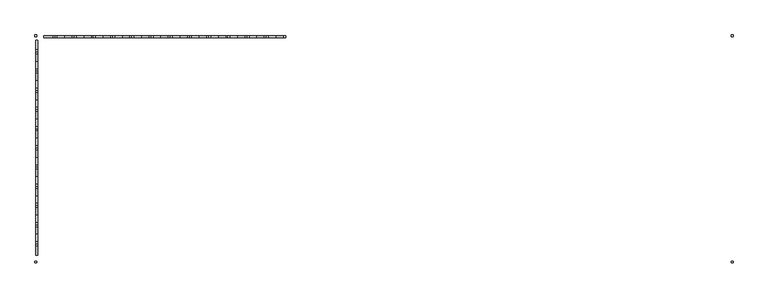
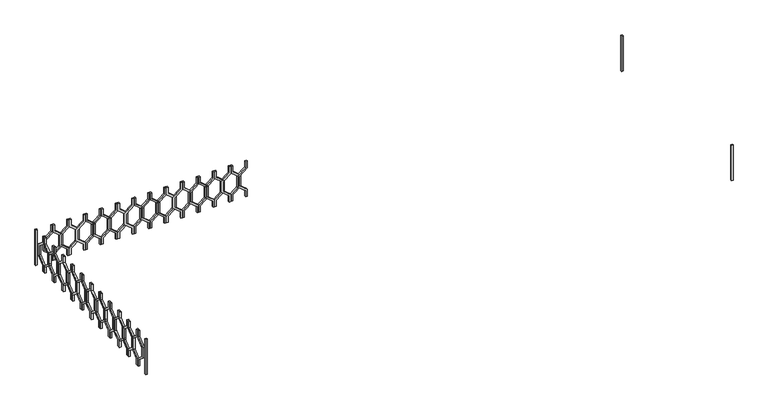
"""IFC4 building model written with IfcOpenShell, lengths in millimetres: railing geometry."""

from ifc_helpers import new_model, si_unit, frame, origin, place, context, project, spatial, polyline, outline, extrude, source, transform, mapped, element, save


def railing_2e306c23(model_context):
    return source(origin(), model_context, "Body", "SweptSolid", [
        extrude(outline(polyline([(8860.0, 44935.0112841), (8860.0, 44915.0112841), (8780.0, 44915.0112841), (8700.0, 44816.0163347), (8560.0, 44816.0163347), (8480.0, 44915.0112841), (8400.0, 44915.0112841), (8400.0, 44935.0112841), (8489.551845, 44935.0112841), (8569.551845, 44836.0163347), (8690.448155, 44836.0163347), (8770.448155, 44935.0112841), (8860.0, 44935.0112841)])), frame((0.0, 3248.1079487, 0.0), z_axis=(0.0, 1.0, 0.0), x_axis=(0.0, 0.0, 1.0)), (0.0, 0.0, 1.0), 20.0),
        extrude(outline(polyline([(8860.0, 44735.0112841), (8770.448155, 44735.0112841), (8690.448155, 44834.0062335), (8569.551845, 44834.0062335), (8489.551845, 44735.0112841), (8400.0, 44735.0112841), (8400.0, 44755.0112841), (8480.0, 44755.0112841), (8560.0, 44854.0062335), (8700.0, 44854.0062335), (8780.0, 44755.0112841), (8860.0, 44755.0112841), (8860.0, 44735.0112841)])), frame((0.0, 3248.1079487, 0.0), z_axis=(0.0, 1.0, 0.0), x_axis=(0.0, 0.0, 1.0)), (0.0, 0.0, 1.0), 20.0),
        extrude(outline(polyline([(8860.0, 44735.0112841), (8860.0, 44715.0112841), (8780.0, 44715.0112841), (8700.0, 44616.0163347), (8560.0, 44616.0163347), (8480.0, 44715.0112841), (8400.0, 44715.0112841), (8400.0, 44735.0112841), (8489.551845, 44735.0112841), (8569.551845, 44636.0163347), (8690.448155, 44636.0163347), (8770.448155, 44735.0112841), (8860.0, 44735.0112841)])), frame((0.0, 3248.1079487, 0.0), z_axis=(0.0, 1.0, 0.0), x_axis=(0.0, 0.0, 1.0)), (0.0, 0.0, 1.0), 20.0),
        extrude(outline(polyline([(8860.0, 44535.0112841), (8770.448155, 44535.0112841), (8690.448155, 44634.0062335), (8569.551845, 44634.0062335), (8489.551845, 44535.0112841), (8400.0, 44535.0112841), (8400.0, 44555.0112841), (8480.0, 44555.0112841), (8560.0, 44654.0062335), (8700.0, 44654.0062335), (8780.0, 44555.0112841), (8860.0, 44555.0112841), (8860.0, 44535.0112841)])), frame((0.0, 3248.1079487, 0.0), z_axis=(0.0, 1.0, 0.0), x_axis=(0.0, 0.0, 1.0)), (0.0, 0.0, 1.0), 20.0),
        extrude(outline(polyline([(8860.0, 44535.0112841), (8860.0, 44515.0112841), (8780.0, 44515.0112841), (8700.0, 44416.0163347), (8560.0, 44416.0163347), (8480.0, 44515.0112841), (8400.0, 44515.0112841), (8400.0, 44535.0112841), (8489.551845, 44535.0112841), (8569.551845, 44436.0163347), (8690.448155, 44436.0163347), (8770.448155, 44535.0112841), (8860.0, 44535.0112841)])), frame((0.0, 3248.1079487, 0.0), z_axis=(0.0, 1.0, 0.0), x_axis=(0.0, 0.0, 1.0)), (0.0, 0.0, 1.0), 20.0),
        extrude(outline(polyline([(8860.0, 44335.0112841), (8770.448155, 44335.0112841), (8690.448155, 44434.0062335), (8569.551845, 44434.0062335), (8489.551845, 44335.0112841), (8400.0, 44335.0112841), (8400.0, 44355.0112841), (8480.0, 44355.0112841), (8560.0, 44454.0062335), (8700.0, 44454.0062335), (8780.0, 44355.0112841), (8860.0, 44355.0112841), (8860.0, 44335.0112841)])), frame((0.0, 3248.1079487, 0.0), z_axis=(0.0, 1.0, 0.0), x_axis=(0.0, 0.0, 1.0)), (0.0, 0.0, 1.0), 20.0),
        extrude(outline(polyline([(8860.0, 44335.0112841), (8860.0, 44315.0112841), (8780.0, 44315.0112841), (8700.0, 44216.0163347), (8560.0, 44216.0163347), (8480.0, 44315.0112841), (8400.0, 44315.0112841), (8400.0, 44335.0112841), (8489.551845, 44335.0112841), (8569.551845, 44236.0163347), (8690.448155, 44236.0163347), (8770.448155, 44335.0112841), (8860.0, 44335.0112841)])), frame((0.0, 3248.1079487, 0.0), z_axis=(0.0, 1.0, 0.0), x_axis=(0.0, 0.0, 1.0)), (0.0, 0.0, 1.0), 20.0),
        extrude(outline(polyline([(8860.0, 44135.0112841), (8770.448155, 44135.0112841), (8690.448155, 44234.0062335), (8569.551845, 44234.0062335), (8489.551845, 44135.0112841), (8400.0, 44135.0112841), (8400.0, 44155.0112841), (8480.0, 44155.0112841), (8560.0, 44254.0062335), (8700.0, 44254.0062335), (8780.0, 44155.0112841), (8860.0, 44155.0112841), (8860.0, 44135.0112841)])), frame((0.0, 3248.1079487, 0.0), z_axis=(0.0, 1.0, 0.0), x_axis=(0.0, 0.0, 1.0)), (0.0, 0.0, 1.0), 20.0),
        extrude(outline(polyline([(8860.0, 44135.0112841), (8860.0, 44115.0112841), (8780.0, 44115.0112841), (8700.0, 44016.0163347), (8560.0, 44016.0163347), (8480.0, 44115.0112841), (8400.0, 44115.0112841), (8400.0, 44135.0112841), (8489.551845, 44135.0112841), (8569.551845, 44036.0163347), (8690.448155, 44036.0163347), (8770.448155, 44135.0112841), (8860.0, 44135.0112841)])), frame((0.0, 3248.1079487, 0.0), z_axis=(0.0, 1.0, 0.0), x_axis=(0.0, 0.0, 1.0)), (0.0, 0.0, 1.0), 20.0),
        extrude(outline(polyline([(8860.0, 43935.0112841), (8770.448155, 43935.0112841), (8690.448155, 44034.0062335), (8569.551845, 44034.0062335), (8489.551845, 43935.0112841), (8400.0, 43935.0112841), (8400.0, 43955.0112841), (8480.0, 43955.0112841), (8560.0, 44054.0062335), (8700.0, 44054.0062335), (8780.0, 43955.0112841), (8860.0, 43955.0112841), (8860.0, 43935.0112841)])), frame((0.0, 3248.1079487, 0.0), z_axis=(0.0, 1.0, 0.0), x_axis=(0.0, 0.0, 1.0)), (0.0, 0.0, 1.0), 20.0),
        extrude(outline(polyline([(8860.0, 43935.0112841), (8860.0, 43915.0112841), (8780.0, 43915.0112841), (8700.0, 43816.0163347), (8560.0, 43816.0163347), (8480.0, 43915.0112841), (8400.0, 43915.0112841), (8400.0, 43935.0112841), (8489.551845, 43935.0112841), (8569.551845, 43836.0163347), (8690.448155, 43836.0163347), (8770.448155, 43935.0112841), (8860.0, 43935.0112841)])), frame((0.0, 3248.1079487, 0.0), z_axis=(0.0, 1.0, 0.0), x_axis=(0.0, 0.0, 1.0)), (0.0, 0.0, 1.0), 20.0),
        extrude(outline(polyline([(8860.0, 43735.0112841), (8770.448155, 43735.0112841), (8690.448155, 43834.0062335), (8569.551845, 43834.0062335), (8489.551845, 43735.0112841), (8400.0, 43735.0112841), (8400.0, 43755.0112841), (8480.0, 43755.0112841), (8560.0, 43854.0062335), (8700.0, 43854.0062335), (8780.0, 43755.0112841), (8860.0, 43755.0112841), (8860.0, 43735.0112841)])), frame((0.0, 3248.1079487, 0.0), z_axis=(0.0, 1.0, 0.0), x_axis=(0.0, 0.0, 1.0)), (0.0, 0.0, 1.0), 20.0),
        extrude(outline(polyline([(8860.0, 43735.0112841), (8860.0, 43715.0112841), (8780.0, 43715.0112841), (8700.0, 43616.0163347), (8560.0, 43616.0163347), (8480.0, 43715.0112841), (8400.0, 43715.0112841), (8400.0, 43735.0112841), (8489.551845, 43735.0112841), (8569.551845, 43636.0163347), (8690.448155, 43636.0163347), (8770.448155, 43735.0112841), (8860.0, 43735.0112841)])), frame((0.0, 3248.1079487, 0.0), z_axis=(0.0, 1.0, 0.0), x_axis=(0.0, 0.0, 1.0)), (0.0, 0.0, 1.0), 20.0),
        extrude(outline(polyline([(8860.0, 43535.0112841), (8770.448155, 43535.0112841), (8690.448155, 43634.0062335), (8569.551845, 43634.0062335), (8489.551845, 43535.0112841), (8400.0, 43535.0112841), (8400.0, 43555.0112841), (8480.0, 43555.0112841), (8560.0, 43654.0062335), (8700.0, 43654.0062335), (8780.0, 43555.0112841), (8860.0, 43555.0112841), (8860.0, 43535.0112841)])), frame((0.0, 3248.1079487, 0.0), z_axis=(0.0, 1.0, 0.0), x_axis=(0.0, 0.0, 1.0)), (0.0, 0.0, 1.0), 20.0),
        extrude(outline(polyline([(8860.0, 43535.0112841), (8860.0, 43515.0112841), (8780.0, 43515.0112841), (8700.0, 43416.0163347), (8560.0, 43416.0163347), (8480.0, 43515.0112841), (8400.0, 43515.0112841), (8400.0, 43535.0112841), (8489.551845, 43535.0112841), (8569.551845, 43436.0163347), (8690.448155, 43436.0163347), (8770.448155, 43535.0112841), (8860.0, 43535.0112841)])), frame((0.0, 3248.1079487, 0.0), z_axis=(0.0, 1.0, 0.0), x_axis=(0.0, 0.0, 1.0)), (0.0, 0.0, 1.0), 20.0),
        extrude(outline(polyline([(8860.0, 43335.0112841), (8770.448155, 43335.0112841), (8690.448155, 43434.0062335), (8569.551845, 43434.0062335), (8489.551845, 43335.0112841), (8400.0, 43335.0112841), (8400.0, 43355.0112841), (8480.0, 43355.0112841), (8560.0, 43454.0062335), (8700.0, 43454.0062335), (8780.0, 43355.0112841), (8860.0, 43355.0112841), (8860.0, 43335.0112841)])), frame((0.0, 3248.1079487, 0.0), z_axis=(0.0, 1.0, 0.0), x_axis=(0.0, 0.0, 1.0)), (0.0, 0.0, 1.0), 20.0),
        extrude(outline(polyline([(8860.0, 43335.0112841), (8860.0, 43315.0112841), (8780.0, 43315.0112841), (8700.0, 43216.0163347), (8560.0, 43216.0163347), (8480.0, 43315.0112841), (8400.0, 43315.0112841), (8400.0, 43335.0112841), (8489.551845, 43335.0112841), (8569.551845, 43236.0163347), (8690.448155, 43236.0163347), (8770.448155, 43335.0112841), (8860.0, 43335.0112841)])), frame((0.0, 3248.1079487, 0.0), z_axis=(0.0, 1.0, 0.0), x_axis=(0.0, 0.0, 1.0)), (0.0, 0.0, 1.0), 20.0),
        extrude(outline(polyline([(8860.0, 43135.0112841), (8770.448155, 43135.0112841), (8690.448155, 43234.0062335), (8569.551845, 43234.0062335), (8489.551845, 43135.0112841), (8400.0, 43135.0112841), (8400.0, 43155.0112841), (8480.0, 43155.0112841), (8560.0, 43254.0062335), (8700.0, 43254.0062335), (8780.0, 43155.0112841), (8860.0, 43155.0112841), (8860.0, 43135.0112841)])), frame((0.0, 3248.1079487, 0.0), z_axis=(0.0, 1.0, 0.0), x_axis=(0.0, 0.0, 1.0)), (0.0, 0.0, 1.0), 20.0),
        extrude(outline(polyline([(8860.0, 43135.0112841), (8860.0, 43115.0112841), (8780.0, 43115.0112841), (8700.0, 43016.0163347), (8560.0, 43016.0163347), (8480.0, 43115.0112841), (8400.0, 43115.0112841), (8400.0, 43135.0112841), (8489.551845, 43135.0112841), (8569.551845, 43036.0163347), (8690.448155, 43036.0163347), (8770.448155, 43135.0112841), (8860.0, 43135.0112841)])), frame((0.0, 3248.1079487, 0.0), z_axis=(0.0, 1.0, 0.0), x_axis=(0.0, 0.0, 1.0)), (0.0, 0.0, 1.0), 20.0),
        extrude(outline(polyline([(8860.0, 42935.0112841), (8770.448155, 42935.0112841), (8690.448155, 43034.0062335), (8569.551845, 43034.0062335), (8489.551845, 42935.0112841), (8400.0, 42935.0112841), (8400.0, 42955.0112841), (8480.0, 42955.0112841), (8560.0, 43054.0062335), (8700.0, 43054.0062335), (8780.0, 42955.0112841), (8860.0, 42955.0112841), (8860.0, 42935.0112841)])), frame((0.0, 3248.1079487, 0.0), z_axis=(0.0, 1.0, 0.0), x_axis=(0.0, 0.0, 1.0)), (0.0, 0.0, 1.0), 20.0),
        extrude(outline(polyline([(8860.0, 42935.0112841), (8860.0, 42915.0112841), (8780.0, 42915.0112841), (8700.0, 42816.0163347), (8560.0, 42816.0163347), (8480.0, 42915.0112841), (8400.0, 42915.0112841), (8400.0, 42935.0112841), (8489.551845, 42935.0112841), (8569.551845, 42836.0163347), (8690.448155, 42836.0163347), (8770.448155, 42935.0112841), (8860.0, 42935.0112841)])), frame((0.0, 3248.1079487, 0.0), z_axis=(0.0, 1.0, 0.0), x_axis=(0.0, 0.0, 1.0)), (0.0, 0.0, 1.0), 20.0),
        extrude(outline(polyline([(8860.0, 42735.0112841), (8770.448155, 42735.0112841), (8690.448155, 42834.0062335), (8569.551845, 42834.0062335), (8489.551845, 42735.0112841), (8400.0, 42735.0112841), (8400.0, 42755.0112841), (8480.0, 42755.0112841), (8560.0, 42854.0062335), (8700.0, 42854.0062335), (8780.0, 42755.0112841), (8860.0, 42755.0112841), (8860.0, 42735.0112841)])), frame((0.0, 3248.1079487, 0.0), z_axis=(0.0, 1.0, 0.0), x_axis=(0.0, 0.0, 1.0)), (0.0, 0.0, 1.0), 20.0),
        extrude(outline(polyline([(8860.0, 42735.0112841), (8860.0, 42715.0112841), (8780.0, 42715.0112841), (8700.0, 42616.0163347), (8560.0, 42616.0163347), (8480.0, 42715.0112841), (8400.0, 42715.0112841), (8400.0, 42735.0112841), (8489.551845, 42735.0112841), (8569.551845, 42636.0163347), (8690.448155, 42636.0163347), (8770.448155, 42735.0112841), (8860.0, 42735.0112841)])), frame((0.0, 3248.1079487, 0.0), z_axis=(0.0, 1.0, 0.0), x_axis=(0.0, 0.0, 1.0)), (0.0, 0.0, 1.0), 20.0),
        extrude(outline(polyline([(8860.0, 42535.0112841), (8770.448155, 42535.0112841), (8690.448155, 42634.0062335), (8569.551845, 42634.0062335), (8489.551845, 42535.0112841), (8400.0, 42535.0112841), (8400.0, 42555.0112841), (8480.0, 42555.0112841), (8560.0, 42654.0062335), (8700.0, 42654.0062335), (8780.0, 42555.0112841), (8860.0, 42555.0112841), (8860.0, 42535.0112841)])), frame((0.0, 3248.1079487, 0.0), z_axis=(0.0, 1.0, 0.0), x_axis=(0.0, 0.0, 1.0)), (0.0, 0.0, 1.0), 20.0),
        extrude(outline(polyline([(8860.0, 42535.0112841), (8860.0, 42515.0112841), (8780.0, 42515.0112841), (8700.0, 42416.0163347), (8560.0, 42416.0163347), (8480.0, 42515.0112841), (8400.0, 42515.0112841), (8400.0, 42535.0112841), (8489.551845, 42535.0112841), (8569.551845, 42436.0163347), (8690.448155, 42436.0163347), (8770.448155, 42535.0112841), (8860.0, 42535.0112841)])), frame((0.0, 3248.1079487, 0.0), z_axis=(0.0, 1.0, 0.0), x_axis=(0.0, 0.0, 1.0)), (0.0, 0.0, 1.0), 20.0),
        extrude(outline(polyline([(3103.1079487, 8860.0), (3123.1079487, 8860.0), (3123.1079487, 8780.0), (3222.102898, 8700.0), (3222.102898, 8560.0), (3123.1079487, 8480.0), (3123.1079487, 8400.0), (3103.1079487, 8400.0), (3103.1079487, 8489.551845), (3202.102898, 8569.551845), (3202.102898, 8690.448155), (3103.1079487, 8770.448155), (3103.1079487, 8860.0)])), frame((42335.0112841, 0.0, 0.0), z_axis=(1.0, 0.0, 0.0), x_axis=(0.0, 1.0, 0.0)), (0.0, 0.0, 1.0), 20.0),
        extrude(outline(polyline([(3103.1079487, 8860.0), (3103.1079487, 8770.448155), (3004.1129993, 8690.448155), (3004.1129993, 8569.551845), (3103.1079487, 8489.551845), (3103.1079487, 8400.0), (3083.1079487, 8400.0), (3083.1079487, 8480.0), (2984.1129993, 8560.0), (2984.1129993, 8700.0), (3083.1079487, 8780.0), (3083.1079487, 8860.0), (3103.1079487, 8860.0)])), frame((42335.0112841, 0.0, 0.0), z_axis=(1.0, 0.0, 0.0), x_axis=(0.0, 1.0, 0.0)), (0.0, 0.0, 1.0), 20.0),
        extrude(outline(polyline([(2903.1079487, 8860.0), (2923.1079487, 8860.0), (2923.1079487, 8780.0), (3022.102898, 8700.0), (3022.102898, 8560.0), (2923.1079487, 8480.0), (2923.1079487, 8400.0), (2903.1079487, 8400.0), (2903.1079487, 8489.551845), (3002.102898, 8569.551845), (3002.102898, 8690.448155), (2903.1079487, 8770.448155), (2903.1079487, 8860.0)])), frame((42335.0112841, 0.0, 0.0), z_axis=(1.0, 0.0, 0.0), x_axis=(0.0, 1.0, 0.0)), (0.0, 0.0, 1.0), 20.0),
        extrude(outline(polyline([(2903.1079487, 8860.0), (2903.1079487, 8770.448155), (2804.1129993, 8690.448155), (2804.1129993, 8569.551845), (2903.1079487, 8489.551845), (2903.1079487, 8400.0), (2883.1079487, 8400.0), (2883.1079487, 8480.0), (2784.1129993, 8560.0), (2784.1129993, 8700.0), (2883.1079487, 8780.0), (2883.1079487, 8860.0), (2903.1079487, 8860.0)])), frame((42335.0112841, 0.0, 0.0), z_axis=(1.0, 0.0, 0.0), x_axis=(0.0, 1.0, 0.0)), (0.0, 0.0, 1.0), 20.0),
        extrude(outline(polyline([(2703.1079487, 8860.0), (2723.1079487, 8860.0), (2723.1079487, 8780.0), (2822.102898, 8700.0), (2822.102898, 8560.0), (2723.1079487, 8480.0), (2723.1079487, 8400.0), (2703.1079487, 8400.0), (2703.1079487, 8489.551845), (2802.102898, 8569.551845), (2802.102898, 8690.448155), (2703.1079487, 8770.448155), (2703.1079487, 8860.0)])), frame((42335.0112841, 0.0, 0.0), z_axis=(1.0, 0.0, 0.0), x_axis=(0.0, 1.0, 0.0)), (0.0, 0.0, 1.0), 20.0),
        extrude(outline(polyline([(2703.1079487, 8860.0), (2703.1079487, 8770.448155), (2604.1129993, 8690.448155), (2604.1129993, 8569.551845), (2703.1079487, 8489.551845), (2703.1079487, 8400.0), (2683.1079487, 8400.0), (2683.1079487, 8480.0), (2584.1129993, 8560.0), (2584.1129993, 8700.0), (2683.1079487, 8780.0), (2683.1079487, 8860.0), (2703.1079487, 8860.0)])), frame((42335.0112841, 0.0, 0.0), z_axis=(1.0, 0.0, 0.0), x_axis=(0.0, 1.0, 0.0)), (0.0, 0.0, 1.0), 20.0),
        extrude(outline(polyline([(2503.1079487, 8860.0), (2523.1079487, 8860.0), (2523.1079487, 8780.0), (2622.102898, 8700.0), (2622.102898, 8560.0), (2523.1079487, 8480.0), (2523.1079487, 8400.0), (2503.1079487, 8400.0), (2503.1079487, 8489.551845), (2602.102898, 8569.551845), (2602.102898, 8690.448155), (2503.1079487, 8770.448155), (2503.1079487, 8860.0)])), frame((42335.0112841, 0.0, 0.0), z_axis=(1.0, 0.0, 0.0), x_axis=(0.0, 1.0, 0.0)), (0.0, 0.0, 1.0), 20.0),
        extrude(outline(polyline([(2503.1079487, 8860.0), (2503.1079487, 8770.448155), (2404.1129993, 8690.448155), (2404.1129993, 8569.551845), (2503.1079487, 8489.551845), (2503.1079487, 8400.0), (2483.1079487, 8400.0), (2483.1079487, 8480.0), (2384.1129993, 8560.0), (2384.1129993, 8700.0), (2483.1079487, 8780.0), (2483.1079487, 8860.0), (2503.1079487, 8860.0)])), frame((42335.0112841, 0.0, 0.0), z_axis=(1.0, 0.0, 0.0), x_axis=(0.0, 1.0, 0.0)), (0.0, 0.0, 1.0), 20.0),
        extrude(outline(polyline([(2303.1079487, 8860.0), (2323.1079487, 8860.0), (2323.1079487, 8780.0), (2422.102898, 8700.0), (2422.102898, 8560.0), (2323.1079487, 8480.0), (2323.1079487, 8400.0), (2303.1079487, 8400.0), (2303.1079487, 8489.551845), (2402.102898, 8569.551845), (2402.102898, 8690.448155), (2303.1079487, 8770.448155), (2303.1079487, 8860.0)])), frame((42335.0112841, 0.0, 0.0), z_axis=(1.0, 0.0, 0.0), x_axis=(0.0, 1.0, 0.0)), (0.0, 0.0, 1.0), 20.0),
        extrude(outline(polyline([(2303.1079487, 8860.0), (2303.1079487, 8770.448155), (2204.1129993, 8690.448155), (2204.1129993, 8569.551845), (2303.1079487, 8489.551845), (2303.1079487, 8400.0), (2283.1079487, 8400.0), (2283.1079487, 8480.0), (2184.1129993, 8560.0), (2184.1129993, 8700.0), (2283.1079487, 8780.0), (2283.1079487, 8860.0), (2303.1079487, 8860.0)])), frame((42335.0112841, 0.0, 0.0), z_axis=(1.0, 0.0, 0.0), x_axis=(0.0, 1.0, 0.0)), (0.0, 0.0, 1.0), 20.0),
        extrude(outline(polyline([(2103.1079487, 8860.0), (2123.1079487, 8860.0), (2123.1079487, 8780.0), (2222.102898, 8700.0), (2222.102898, 8560.0), (2123.1079487, 8480.0), (2123.1079487, 8400.0), (2103.1079487, 8400.0), (2103.1079487, 8489.551845), (2202.102898, 8569.551845), (2202.102898, 8690.448155), (2103.1079487, 8770.448155), (2103.1079487, 8860.0)])), frame((42335.0112841, 0.0, 0.0), z_axis=(1.0, 0.0, 0.0), x_axis=(0.0, 1.0, 0.0)), (0.0, 0.0, 1.0), 20.0),
        extrude(outline(polyline([(2103.1079487, 8860.0), (2103.1079487, 8770.448155), (2004.1129993, 8690.448155), (2004.1129993, 8569.551845), (2103.1079487, 8489.551845), (2103.1079487, 8400.0), (2083.1079487, 8400.0), (2083.1079487, 8480.0), (1984.1129993, 8560.0), (1984.1129993, 8700.0), (2083.1079487, 8780.0), (2083.1079487, 8860.0), (2103.1079487, 8860.0)])), frame((42335.0112841, 0.0, 0.0), z_axis=(1.0, 0.0, 0.0), x_axis=(0.0, 1.0, 0.0)), (0.0, 0.0, 1.0), 20.0),
        extrude(outline(polyline([(1903.1079487, 8860.0), (1923.1079487, 8860.0), (1923.1079487, 8780.0), (2022.102898, 8700.0), (2022.102898, 8560.0), (1923.1079487, 8480.0), (1923.1079487, 8400.0), (1903.1079487, 8400.0), (1903.1079487, 8489.551845), (2002.102898, 8569.551845), (2002.102898, 8690.448155), (1903.1079487, 8770.448155), (1903.1079487, 8860.0)])), frame((42335.0112841, 0.0, 0.0), z_axis=(1.0, 0.0, 0.0), x_axis=(0.0, 1.0, 0.0)), (0.0, 0.0, 1.0), 20.0),
        extrude(outline(polyline([(1903.1079487, 8860.0), (1903.1079487, 8770.448155), (1804.1129993, 8690.448155), (1804.1129993, 8569.551845), (1903.1079487, 8489.551845), (1903.1079487, 8400.0), (1883.1079487, 8400.0), (1883.1079487, 8480.0), (1784.1129993, 8560.0), (1784.1129993, 8700.0), (1883.1079487, 8780.0), (1883.1079487, 8860.0), (1903.1079487, 8860.0)])), frame((42335.0112841, 0.0, 0.0), z_axis=(1.0, 0.0, 0.0), x_axis=(0.0, 1.0, 0.0)), (0.0, 0.0, 1.0), 20.0),
        extrude(outline(polyline([(1703.1079487, 8860.0), (1723.1079487, 8860.0), (1723.1079487, 8780.0), (1822.102898, 8700.0), (1822.102898, 8560.0), (1723.1079487, 8480.0), (1723.1079487, 8400.0), (1703.1079487, 8400.0), (1703.1079487, 8489.551845), (1802.102898, 8569.551845), (1802.102898, 8690.448155), (1703.1079487, 8770.448155), (1703.1079487, 8860.0)])), frame((42335.0112841, 0.0, 0.0), z_axis=(1.0, 0.0, 0.0), x_axis=(0.0, 1.0, 0.0)), (0.0, 0.0, 1.0), 20.0),
        extrude(outline(polyline([(1703.1079487, 8860.0), (1703.1079487, 8770.448155), (1604.1129993, 8690.448155), (1604.1129993, 8569.551845), (1703.1079487, 8489.551845), (1703.1079487, 8400.0), (1683.1079487, 8400.0), (1683.1079487, 8480.0), (1584.1129993, 8560.0), (1584.1129993, 8700.0), (1683.1079487, 8780.0), (1683.1079487, 8860.0), (1703.1079487, 8860.0)])), frame((42335.0112841, 0.0, 0.0), z_axis=(1.0, 0.0, 0.0), x_axis=(0.0, 1.0, 0.0)), (0.0, 0.0, 1.0), 20.0),
        extrude(outline(polyline([(1503.1079487, 8860.0), (1523.1079487, 8860.0), (1523.1079487, 8780.0), (1622.102898, 8700.0), (1622.102898, 8560.0), (1523.1079487, 8480.0), (1523.1079487, 8400.0), (1503.1079487, 8400.0), (1503.1079487, 8489.551845), (1602.102898, 8569.551845), (1602.102898, 8690.448155), (1503.1079487, 8770.448155), (1503.1079487, 8860.0)])), frame((42335.0112841, 0.0, 0.0), z_axis=(1.0, 0.0, 0.0), x_axis=(0.0, 1.0, 0.0)), (0.0, 0.0, 1.0), 20.0),
        extrude(outline(polyline([(1503.1079487, 8860.0), (1503.1079487, 8770.448155), (1404.1129993, 8690.448155), (1404.1129993, 8569.551845), (1503.1079487, 8489.551845), (1503.1079487, 8400.0), (1483.1079487, 8400.0), (1483.1079487, 8480.0), (1384.1129993, 8560.0), (1384.1129993, 8700.0), (1483.1079487, 8780.0), (1483.1079487, 8860.0), (1503.1079487, 8860.0)])), frame((42335.0112841, 0.0, 0.0), z_axis=(1.0, 0.0, 0.0), x_axis=(0.0, 1.0, 0.0)), (0.0, 0.0, 1.0), 20.0),
        extrude(outline(polyline([(1303.1079487, 8860.0), (1323.1079487, 8860.0), (1323.1079487, 8780.0), (1422.102898, 8700.0), (1422.102898, 8560.0), (1323.1079487, 8480.0), (1323.1079487, 8400.0), (1303.1079487, 8400.0), (1303.1079487, 8489.551845), (1402.102898, 8569.551845), (1402.102898, 8690.448155), (1303.1079487, 8770.448155), (1303.1079487, 8860.0)])), frame((42335.0112841, 0.0, 0.0), z_axis=(1.0, 0.0, 0.0), x_axis=(0.0, 1.0, 0.0)), (0.0, 0.0, 1.0), 20.0),
        extrude(outline(polyline([(1303.1079487, 8860.0), (1303.1079487, 8770.448155), (1204.1129993, 8690.448155), (1204.1129993, 8569.551845), (1303.1079487, 8489.551845), (1303.1079487, 8400.0), (1283.1079487, 8400.0), (1283.1079487, 8480.0), (1184.1129993, 8560.0), (1184.1129993, 8700.0), (1283.1079487, 8780.0), (1283.1079487, 8860.0), (1303.1079487, 8860.0)])), frame((42335.0112841, 0.0, 0.0), z_axis=(1.0, 0.0, 0.0), x_axis=(0.0, 1.0, 0.0)), (0.0, 0.0, 1.0), 20.0),
        extrude(outline(polyline([(1103.1079487, 8860.0), (1123.1079487, 8860.0), (1123.1079487, 8780.0), (1222.102898, 8700.0), (1222.102898, 8560.0), (1123.1079487, 8480.0), (1123.1079487, 8400.0), (1103.1079487, 8400.0), (1103.1079487, 8489.551845), (1202.102898, 8569.551845), (1202.102898, 8690.448155), (1103.1079487, 8770.448155), (1103.1079487, 8860.0)])), frame((42335.0112841, 0.0, 0.0), z_axis=(1.0, 0.0, 0.0), x_axis=(0.0, 1.0, 0.0)), (0.0, 0.0, 1.0), 20.0),
        extrude(outline(polyline([(1103.1079487, 8860.0), (1103.1079487, 8770.448155), (1004.1129993, 8690.448155), (1004.1129993, 8569.551845), (1103.1079487, 8489.551845), (1103.1079487, 8400.0), (1083.1079487, 8400.0), (1083.1079487, 8480.0), (984.1129993, 8560.0), (984.1129993, 8700.0), (1083.1079487, 8780.0), (1083.1079487, 8860.0), (1103.1079487, 8860.0)])), frame((42335.0112841, 0.0, 0.0), z_axis=(1.0, 0.0, 0.0), x_axis=(0.0, 1.0, 0.0)), (0.0, 0.0, 1.0), 20.0),
        extrude(outline(polyline([(49575.0112841, 3278.1079487), (49595.0112841, 3278.1079487), (49595.0112841, 3258.1079487), (49575.0112841, 3258.1079487), (49575.0112841, 3278.1079487)])), frame((0.0, 0.0, 8400.0), z_axis=(0.0, 0.0, 1.0), x_axis=(1.0, 0.0, 0.0)), (0.0, 0.0, 1.0), 460.0),
        extrude(outline(polyline([(42325.0112841, 3258.1079487), (42325.0112841, 3278.1079487), (42345.0112841, 3278.1079487), (42345.0112841, 3258.1079487), (42325.0112841, 3258.1079487)])), frame((0.0, 0.0, 8400.0), z_axis=(0.0, 0.0, 1.0), x_axis=(1.0, 0.0, 0.0)), (0.0, 0.0, 1.0), 460.0),
        extrude(outline(polyline([(49595.0112841, 923.1079487), (49595.0112841, 903.1079487), (49575.0112841, 903.1079487), (49575.0112841, 923.1079487), (49595.0112841, 923.1079487)])), frame((0.0, 0.0, 8400.0), z_axis=(0.0, 0.0, 1.0), x_axis=(1.0, 0.0, 0.0)), (0.0, 0.0, 1.0), 460.0),
        extrude(outline(polyline([(42325.0112841, 903.1079487), (42325.0112841, 923.1079487), (42345.0112841, 923.1079487), (42345.0112841, 903.1079487), (42325.0112841, 903.1079487)])), frame((0.0, 0.0, 8400.0), z_axis=(0.0, 0.0, 1.0), x_axis=(1.0, 0.0, 0.0)), (0.0, 0.0, 1.0), 460.0),
    ])


if __name__ == "__main__":
    model = new_model("IFC4")
    model_context = context("Model", 3, world=origin())
    ifc_project = project(units=[si_unit("LENGTHUNIT", "METRE", prefix="MILLI")], contexts=[model_context])
    site = spatial("IfcSite", under=ifc_project)
    building = spatial("IfcBuilding", under=site)
    placement = place(None, origin())
    railing_shape = railing_2e306c23(model_context)
    element("IfcRailing", 1, at=placement, inside=building, context=model_context, shape_type="MappedRepresentation", body=[
        mapped(railing_shape, transform((0.0, 0.0, 0.0), x_axis=(1.0, 0.0, 0.0), y_axis=(0.0, 1.0, 0.0), z_axis=(0.0, 0.0, 1.0))),
    ])
    save(model, "model.ifc")
